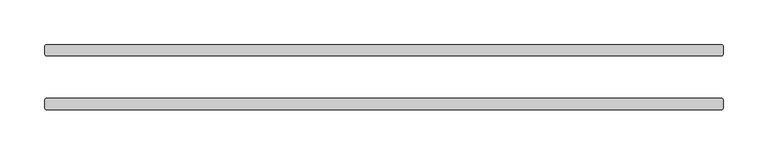
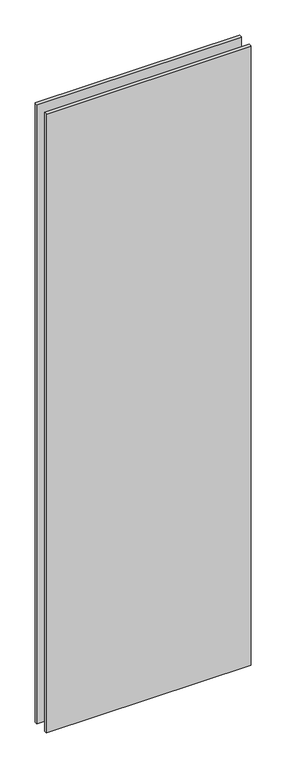
"""IFC4 building model written with IfcOpenShell, lengths in millimetres: plate geometry."""

import ifcopenshell
import ifcopenshell.guid

model = None  # the IFC model being written
_history = None  # IfcOwnerHistory: only IFC2X3 demands one
_inside = {}  # id of a spatial element -> (the spatial element, [elements in it])
_under = {}  # id of a project, library or spatial element -> (it, [spatial elements below it])
_declared = {}  # id of a project -> (the project, [libraries it declares])
_typed = {}  # id of a type object -> (the type object, [elements of that type])
_made_of = {}  # id of a material, layer set ... -> (it, [elements and type objects made of it])


def new_model(schema):
    """Start an empty IFC model of exactly this schema.

    Asked for "IFC4X3", IfcOpenShell would pick the latest addendum, in which some entities
    have other attributes; the version numbers below select the first issue.
    IFC2X3 requires an IfcOwnerHistory on every rooted entity: one is made here for all.
    """
    global model, _history
    if schema == "IFC4X3":
        model = ifcopenshell.file(schema_version=(4, 3, 0, 0))
    else:
        model = ifcopenshell.file(schema=schema)
    _inside.clear()
    _under.clear()
    _declared.clear()
    _typed.clear()
    _made_of.clear()
    _history = None
    if model.schema == "IFC2X3":
        org = make("IfcOrganization", Name="unknown")
        user = make(
            "IfcPersonAndOrganization",
            ThePerson=make("IfcPerson", FamilyName="unknown"),
            TheOrganization=org,
        )
        app = make(
            "IfcApplication",
            ApplicationDeveloper=org,
            Version="unknown",
            ApplicationFullName="unknown",
            ApplicationIdentifier="unknown",
        )
        _history = make(
            "IfcOwnerHistory",
            OwningUser=user,
            OwningApplication=app,
            ChangeAction="ADDED",
            CreationDate=0,
        )
    return model


def make(cls, **values):
    """One entity of the class cls with the attributes given. An attribute that is None is left unset."""
    return model.create_entity(
        cls, **{name: value for name, value in values.items() if value is not None}
    )


def rooted(cls, **values):
    """An entity with a GlobalId (a new one), such as an element, a storey or a relation."""
    return make(cls, GlobalId=ifcopenshell.guid.new(), OwnerHistory=_history, **values)


def si_unit(unit_type, name, prefix=None):
    """IfcSIUnit, for example si_unit("LENGTHUNIT", "METRE", prefix="MILLI")."""
    return make("IfcSIUnit", UnitType=unit_type, Prefix=prefix, Name=name)


def assignment(units):
    """IfcUnitAssignment: the units of a project."""
    return None if units is None else make("IfcUnitAssignment", Units=units)


def point(xyz):
    """IfcCartesianPoint."""
    return None if xyz is None else make("IfcCartesianPoint", Coordinates=xyz)


def direction(xyz):
    """IfcDirection."""
    return None if xyz is None else make("IfcDirection", DirectionRatios=xyz)


def frame(location, z_axis=None, x_axis=None):
    """IfcAxis2Placement3D, a coordinate frame: its origin and axes. An axis left out is left unset."""
    return make(
        "IfcAxis2Placement3D",
        Location=point(location),
        Axis=direction(z_axis),
        RefDirection=direction(x_axis),
    )


def origin():
    """The frame at (0, 0, 0) with its axes left unset."""
    return frame((0.0, 0.0, 0.0))


def origin_with_axes():
    """The frame at (0, 0, 0) with the z axis (0, 0, 1) and the x axis (1, 0, 0) written out."""
    return frame((0.0, 0.0, 0.0), z_axis=(0.0, 0.0, 1.0), x_axis=(1.0, 0.0, 0.0))


def place(relative_to, where):
    """IfcLocalPlacement: puts the frame where relative to a parent placement (None: the world)."""
    return make(
        "IfcLocalPlacement", PlacementRelTo=relative_to, RelativePlacement=where
    )


def context(
    kind, dimensions, precision=None, world=None, true_north=None, identifier=None
):
    """IfcGeometricRepresentationContext, for example the 3D "Model" context."""
    return make(
        "IfcGeometricRepresentationContext",
        ContextIdentifier=identifier,
        ContextType=kind,
        CoordinateSpaceDimension=dimensions,
        Precision=precision,
        WorldCoordinateSystem=world,
        TrueNorth=true_north,
    )


def project(units=None, contexts=None):
    """IfcProject with its units and contexts."""
    return rooted(
        "IfcProject",
        Name="project",
        RepresentationContexts=contexts,
        UnitsInContext=assignment(units),
    )


def spatial(cls, under=None, at=None, **own):
    """A site, building, storey or space (cls), placed at a placement, below another one or the project."""
    s = rooted(cls, ObjectPlacement=at, **own)
    if under is not None:
        _under.setdefault(under.id(), (under, []))[1].append(s)
    return s


def polyline(points):
    """IfcPolyline through the points."""
    return make("IfcPolyline", Points=[point(p) for p in points])


def outline(outer, holes=None, kind="AREA"):
    """IfcArbitraryClosedProfileDef: a profile drawn as a closed curve; with holes, ...WithVoids."""
    if holes is None:
        return make("IfcArbitraryClosedProfileDef", ProfileType=kind, OuterCurve=outer)
    return make(
        "IfcArbitraryProfileDefWithVoids",
        ProfileType=kind,
        OuterCurve=outer,
        InnerCurves=holes,
    )


def extrude(swept, where, along, depth):
    """IfcExtrudedAreaSolid: the profile swept, set in the frame where, extruded along a direction by depth."""
    return make(
        "IfcExtrudedAreaSolid",
        SweptArea=swept,
        Position=where,
        ExtrudedDirection=direction(along),
        Depth=depth,
    )


def shape(context_of_items, identifier, shape_type, items):
    """IfcShapeRepresentation: the items that make up one representation, for example the "Body"."""
    return make(
        "IfcShapeRepresentation",
        ContextOfItems=context_of_items,
        RepresentationIdentifier=identifier,
        RepresentationType=shape_type,
        Items=items,
    )


def source(mapping_origin, context_of_items, identifier, shape_type, items):
    """IfcRepresentationMap: a shape defined once, which mapped items show again and again."""
    return make(
        "IfcRepresentationMap",
        MappingOrigin=mapping_origin,
        MappedRepresentation=shape(context_of_items, identifier, shape_type, items),
    )


def transform(
    local_origin,
    x_axis=None,
    y_axis=None,
    z_axis=None,
    scale=None,
    scale2=None,
    scale3=None,
    uniform=True,
):
    """IfcCartesianTransformationOperator3D, or its non-uniform kind. x_axis, y_axis, z_axis: its Axis1, 2, 3."""
    if uniform:
        return make(
            "IfcCartesianTransformationOperator3D",
            Axis1=direction(x_axis),
            Axis2=direction(y_axis),
            LocalOrigin=point(local_origin),
            Scale=scale,
            Axis3=direction(z_axis),
        )
    return make(
        "IfcCartesianTransformationOperator3DnonUniform",
        Axis1=direction(x_axis),
        Axis2=direction(y_axis),
        LocalOrigin=point(local_origin),
        Scale=scale,
        Axis3=direction(z_axis),
        Scale2=scale2,
        Scale3=scale3,
    )


def mapped(mapping_source, mapping_target):
    """IfcMappedItem: shows the shape of a source again, moved by a transform."""
    return make(
        "IfcMappedItem", MappingSource=mapping_source, MappingTarget=mapping_target
    )


def made_of(thing, what):
    """Note that an element or type object is made of a material, layer set ...; save() writes the relation."""
    if what is not None:
        _made_of.setdefault(what.id(), (what, []))[1].append(thing)
    return thing


def element(
    cls,
    number,
    at=None,
    inside=None,
    cuts=None,
    type_object=None,
    material=None,
    context=None,
    identifier="Body",
    shape_type=None,
    held_by="IfcProductDefinitionShape",
    body=None,
    shapes=None,
    **own,
):
    """One element of the class cls, such as IfcWall. Its Tag is "e" and its number.

    at: its placement. inside: the storey or other place that contains it. cuts: it is an
    opening in that element (IfcRelVoidsElement). A single representation is given by context,
    identifier, shape_type and body (its items); several are given by shapes. held_by: the class
    of the entity that holds the representations. save() writes the other relations.
    """
    e = rooted(cls, Tag="e%d" % number, ObjectPlacement=at, **own)
    if body is not None:
        shapes = [shape(context, identifier, shape_type, body)]
    if shapes is not None:
        e.Representation = make(held_by, Representations=shapes)
    if inside is not None:
        _inside.setdefault(inside.id(), (inside, []))[1].append(e)
    if cuts is not None:
        rooted(
            "IfcRelVoidsElement", RelatingBuildingElement=cuts, RelatedOpeningElement=e
        )
    if type_object is not None:
        _typed.setdefault(type_object.id(), (type_object, []))[1].append(e)
    return made_of(e, material)


def aggregate(whole, parts):
    """IfcRelAggregates: a whole, such as a stair, and the parts it consists of."""
    return rooted("IfcRelAggregates", RelatingObject=whole, RelatedObjects=parts)


def save(model, path):
    """Write the relations noted so far, then the file.

    IfcRelAggregates (storeys below a building ...), IfcRelContainedInSpatialStructure (elements
    in a storey), IfcRelDefinesByType, IfcRelAssociatesMaterial and IfcRelDeclares: one each for
    every whole, place, type object, material and project.
    """
    for whole, parts in _under.values():
        aggregate(whole, parts)
    for where, things in _inside.values():
        rooted(
            "IfcRelContainedInSpatialStructure",
            RelatedElements=things,
            RelatingStructure=where,
        )
    for kind, things in _typed.values():
        rooted("IfcRelDefinesByType", RelatedObjects=things, RelatingType=kind)
    for what, things in _made_of.values():
        rooted("IfcRelAssociatesMaterial", RelatedObjects=things, RelatingMaterial=what)
    for by, libraries in _declared.values():
        rooted("IfcRelDeclares", RelatingContext=by, RelatedDefinitions=libraries)
    model.write(path)


def plate_3919c30b(model_context):
    return source(origin(), model_context, "Body", "SweptSolid", [
        extrude(outline(polyline([(379.4125, 23.8125), (-379.4125, 23.8125), (-381.0, 25.4), (-381.0, 34.925), (-379.4125, 36.5125), (379.4125, 36.5125), (381.0, 34.925), (381.0, 25.4), (379.4125, 23.8125)])), origin_with_axes(), (0.0, 0.0, 1.0), 2428.7789267),
        extrude(outline(polyline([(379.4125, -36.5125), (-379.4125, -36.5125), (-381.0, -34.925), (-381.0, -25.4), (-379.4125, -23.8125), (379.4125, -23.8125), (381.0, -25.4), (381.0, -34.925), (379.4125, -36.5125)])), origin_with_axes(), (0.0, 0.0, 1.0), 2428.7789267),
    ])


if __name__ == "__main__":
    model = new_model("IFC4")
    model_context = context("Model", 3, world=origin())
    ifc_project = project(units=[si_unit("LENGTHUNIT", "METRE", prefix="MILLI")], contexts=[model_context])
    site = spatial("IfcSite", under=ifc_project)
    building = spatial("IfcBuilding", under=site)
    placement = place(None, origin())
    plate_shape = plate_3919c30b(model_context)
    element("IfcPlate", 1, at=placement, inside=building, context=model_context, shape_type="MappedRepresentation", body=[
        mapped(plate_shape, transform((0.0, 0.0, 0.0), x_axis=(1.0, 0.0, 0.0), y_axis=(0.0, 1.0, 0.0), z_axis=(0.0, 0.0, 1.0))),
    ])
    save(model, "model.ifc")
